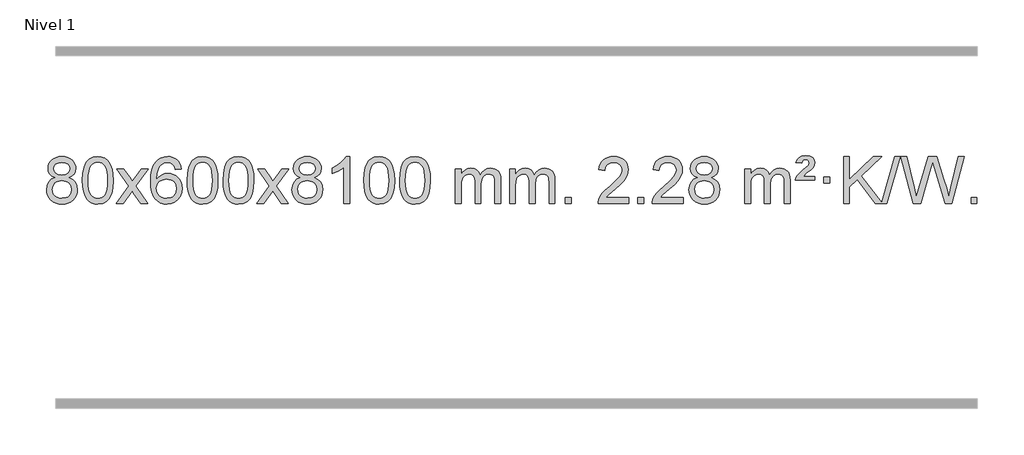
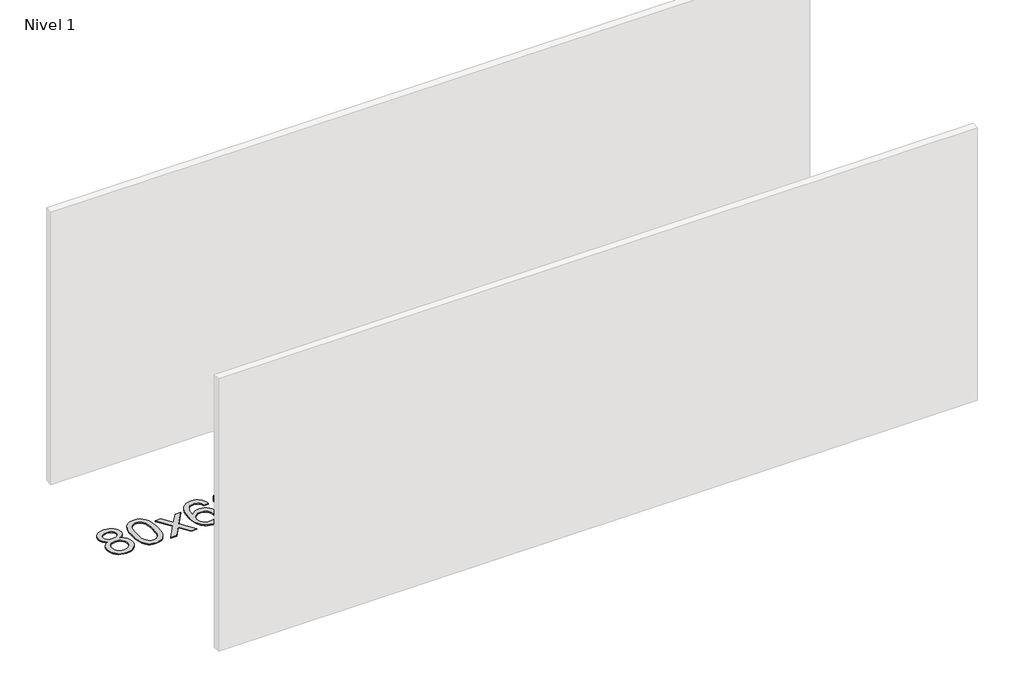
# One storey, part 10 of 16: 1 proxy.
"""IFC4 building model written with IfcOpenShell, lengths in millimetres."""

from ifc_helpers import new_model, si_unit, origin, origin_with_axes, place, context, project, spatial, polyline, outline, extrude, element, save

model = new_model("IFC4")

# Units and contexts
model_context = context("Model", 3, world=origin())
ifc_project = project(units=[si_unit("LENGTHUNIT", "METRE", prefix="MILLI")], contexts=[model_context])

# Site, building, storey
site = spatial("IfcSite", under=ifc_project)
building = spatial("IfcBuilding", under=site)
storey = spatial("IfcBuildingStorey", under=building, Name="Nivel 1", Elevation=0.0)

# Proxy
placement = place(None, origin())
element("IfcBuildingElementProxy", 1, Name="Texto de modelo 1", ObjectType="Texto de modelo 1", at=placement, inside=storey, context=model_context, shape_type="SweptSolid", body=[
    extrude(outline(polyline([(-236.8094438, -12224.2616447), (-263.7016177, -12211.0178929), (-282.573964, -12193.0652515), (-293.7207885, -12170.7716026), (-297.4363966, -12144.5048281), (-295.4130456, -12124.0199324), (-289.3429927, -12105.2395565), (-279.2262378, -12088.1637006), (-265.062781, -12072.7923645), (-247.533204, -12060.088173), (-227.3180883, -12051.0137504), (-204.4174341, -12045.5690969), (-178.8312414, -12043.7542124), (-153.1224213, -12045.6120165), (-130.0500888, -12051.1854287), (-109.614244, -12060.4744491), (-91.8148868, -12073.4790776), (-77.3939126, -12089.1508506), (-67.0932167, -12106.4413044), (-60.9127992, -12125.3504389), (-58.85266, -12145.8782543), (-62.5192172, -12171.2989001), (-73.5188889, -12193.2124043), (-91.9743023, -12211.0546811), (-118.0080848, -12224.2616447), (-87.0937345, -12240.1909351), (-64.5916191, -12263.6495436), (-50.8696207, -12293.5092989), (-46.2956212, -12328.6420295), (-48.5642269, -12353.6947933), (-55.3700438, -12376.6628926), (-66.713072, -12397.5463272), (-82.5933114, -12416.3450971), (-102.1768963, -12431.88198), (-124.6299607, -12442.9797536), (-149.9525047, -12449.6384177), (-178.1445283, -12451.8579724), (-206.3365519, -12449.6292206), (-231.6590959, -12442.9429654), (-254.1121603, -12431.7992066), (-273.6957452, -12416.1979443), (-289.5759846, -12397.26735), (-300.9190128, -12376.135595), (-307.7248297, -12352.8026795), (-309.9934354, -12327.2686033), (-305.2354949, -12290.7747094), (-290.9616735, -12260.7555386), (-267.9077351, -12238.2411605), (-236.8094438, -12224.2616447)]), holes=[polyline([(-247.2082415, -12145.9763561), (-242.7568694, -12167.902123), (-229.402753, -12185.413306), (-207.5382997, -12196.8912243), (-177.5559171, -12200.717197), (-148.2725103, -12196.9157497), (-126.7391508, -12185.5114079), (-113.495399, -12168.5888361), (-109.0808151, -12148.232699), (-113.6425518, -12127.1040098), (-127.327762, -12109.629615), (-149.1554271, -12097.8941794), (-178.1445283, -12093.9823675), (-207.3175705, -12097.8083402), (-229.1084474, -12109.2862585), (-242.683293, -12126.1107284), (-247.2082415, -12145.9763561)]), polyline([(-259.7652803, -12325.5027698), (-257.6683529, -12344.7184726), (-251.3775708, -12363.3210389), (-239.7647625, -12379.5446349), (-221.7017565, -12391.623427), (-200.0702952, -12399.1282197), (-177.7521208, -12401.6298173), (-143.5636208, -12396.3691048), (-129.6699441, -12389.7932141), (-117.909983, -12380.5869672), (-101.870328, -12356.6869002), (-96.5237763, -12327.0723996), (-102.0420062, -12296.9551269), (-118.596696, -12272.5277625), (-130.6754882, -12263.0854579), (-144.838945, -12256.3409547), (-179.4198526, -12250.9453521), (-213.130106, -12256.2673783), (-226.8674329, -12262.919911), (-238.5262264, -12272.2334569), (-254.4555168, -12296.1948375), (-259.7652803, -12325.5027698)])]), origin_with_axes(), (0.0, 0.0, 1.0), 10.0),
    extrude(outline(polyline([(-2.3459855, -12247.9041943), (1.3450971, -12183.5861588), (12.4183452, -12132.2911459), (30.763394, -12093.2343407), (42.621457, -12078.0009605), (56.269879, -12065.6309284), (71.7546453, -12056.0598651), (89.1217412, -12049.2233914), (129.5029215, -12043.7542124), (160.4540601, -12046.991574), (188.167837, -12056.7036586), (211.3444027, -12072.5103217), (228.6839074, -12094.0314184), (241.7805065, -12121.0830078), (252.2283551, -12153.4811488), (259.0709602, -12194.6226186), (261.3518286, -12247.9041943), (257.6975341, -12311.8543477), (246.7346507, -12363.0267333), (228.4999664, -12402.1203266), (216.6694946, -12417.3996922), (203.0302696, -12429.8341036), (187.5271092, -12439.4695462), (170.1048311, -12446.3520052), (129.5029215, -12451.8579724), (101.8381955, -12449.4667394), (77.3127291, -12442.2930405), (55.9265225, -12430.3368757), (37.6795755, -12413.5982449), (20.1683926, -12383.3399508), (7.6604047, -12345.6381776), (0.155612, -12300.4929255), (-2.3459855, -12247.9041943)]), holes=[polyline([(47.8821695, -12247.8060924), (49.3536975, -12291.4706195), (53.7682815, -12326.8148822), (61.1259214, -12353.8388804), (71.4266172, -12372.5426142), (83.8855541, -12385.2682656), (97.7179171, -12394.3580165), (112.9237063, -12399.8118671), (129.5029215, -12401.6298173), (146.0821368, -12399.8057357), (161.2879259, -12394.3334911), (175.1202889, -12385.2130833), (187.5792258, -12372.4445124), (197.8799217, -12353.7101217), (205.2375616, -12326.6922549), (209.6521455, -12291.3909118), (211.1236735, -12247.8060924), (209.7011965, -12205.2973278), (205.4337653, -12170.5753989), (198.3213801, -12143.6403055), (188.3640408, -12124.4920476), (176.1135703, -12111.1440625), (162.1217918, -12101.6097875), (146.3887051, -12095.8892225), (128.9143103, -12093.9823675), (112.4209342, -12095.6623619), (97.4726625, -12100.7023452), (84.0694951, -12109.1023175), (72.2114321, -12120.8622786), (61.5673797, -12141.708925), (53.9644852, -12169.8151094), (49.4027484, -12205.1808319), (47.8821695, -12247.8060924)])]), origin_with_axes(), (0.0, 0.0, 1.0), 10.0),
    extrude(outline(polyline([(286.4659061, -12445.579453), (393.7893469, -12297.2494325), (292.7444255, -12150.4890419), (353.1751746, -12150.4890419), (401.9318017, -12221.122385), (424.6914345, -12254.4770192), (444.4099094, -12227.2047007), (499.9355652, -12150.4890419), (560.3663143, -12150.4890419), (454.2200959, -12297.2494325), (556.4422397, -12445.579453), (496.0114906, -12445.579453), (434.501621, -12356.4048574), (423.2199065, -12340.1199477), (346.8966552, -12445.579453), (286.4659061, -12445.579453)])), origin_with_axes(), (0.0, 0.0, 1.0), 10.0),
    extrude(outline(polyline([(845.2541313, -12150.4890419), (795.0259763, -12156.7675613), (786.9325724, -12131.874213), (775.9942144, -12114.8780648), (753.2100561, -12099.2062918), (725.6679574, -12093.9823675), (702.3197135, -12097.0235253), (680.3448956, -12106.1469988), (661.4725493, -12125.3627017), (646.0582937, -12151.8134171), (635.6472332, -12189.227016), (631.7844723, -12241.3313693), (651.9321429, -12217.8237098), (676.0774645, -12201.2567573), (702.8715365, -12191.434308), (730.9654582, -12188.1601582), (755.0985171, -12190.398107), (777.3676405, -12197.1119534), (797.7728285, -12208.3016975), (816.3140811, -12223.9673391), (831.7222053, -12243.1769106), (842.7280083, -12264.9984443), (849.3314901, -12289.4319401), (851.5326507, -12316.4773982), (847.3878469, -12352.4439945), (834.9534355, -12385.786366), (815.259486, -12414.0642287), (789.3360681, -12434.8372987), (758.3604041, -12447.602804), (723.5097164, -12451.8579724), (693.5671877, -12449.0375437), (666.5247954, -12440.5762579), (642.3825394, -12426.4741147), (621.1404199, -12406.7311143), (603.822375, -12380.5133908), (591.4523429, -12346.9870783), (584.0303236, -12306.1521768), (581.5563172, -12258.0086864), (584.3031694, -12204.0342663), (592.5437261, -12157.9693092), (606.2779873, -12119.8138149), (625.5059529, -12089.5677835), (646.3464679, -12069.5243462), (670.5101836, -12055.2076052), (697.9971, -12046.6175606), (728.8072171, -12043.7542124), (751.9408633, -12045.5261773), (772.8794802, -12050.8420722), (791.6230678, -12059.7018969), (808.1716262, -12072.1056515), (822.0775656, -12087.6364031), (832.8932963, -12105.8772186), (840.6188182, -12126.8280983), (845.2541313, -12150.4890419)]), holes=[polyline([(631.7844723, -12315.6925832), (634.69074, -12337.9494439), (643.4095433, -12359.2007605), (656.9476007, -12377.472233), (674.3116309, -12390.7895612), (695.2686419, -12398.9197533), (719.5856418, -12401.6298173), (752.7318096, -12396.0134855), (766.646946, -12388.9930708), (778.7901175, -12379.1644901), (788.640158, -12366.9262824), (795.6759011, -12352.6769865), (801.3044957, -12318.1451299), (795.7494775, -12284.9989621), (788.8057049, -12271.3781312), (779.0844231, -12259.725469), (766.9044634, -12250.3904634), (752.5846568, -12243.7226022), (717.5255026, -12238.3883133), (684.4283858, -12243.7226022), (656.751397, -12259.725469), (645.8283674, -12271.2248471), (638.0262035, -12284.3858254), (633.3449051, -12299.2084042), (631.7844723, -12315.6925832)])]), origin_with_axes(), (0.0, 0.0, 1.0), 10.0),
    extrude(outline(polyline([(895.4822864, -12247.9041943), (899.1733691, -12183.5861588), (910.2466172, -12132.2911459), (928.591666, -12093.2343407), (940.449729, -12078.0009605), (954.098151, -12065.6309284), (969.5829173, -12056.0598651), (986.9500131, -12049.2233914), (1027.3311935, -12043.7542124), (1058.282332, -12046.991574), (1085.996109, -12056.7036586), (1109.1726747, -12072.5103217), (1126.5121794, -12094.0314184), (1139.6087784, -12121.0830078), (1150.0566271, -12153.4811488), (1156.8992322, -12194.6226186), (1159.1801006, -12247.9041943), (1155.5258061, -12311.8543477), (1144.5629226, -12363.0267333), (1126.3282384, -12402.1203266), (1114.4977666, -12417.3996922), (1100.8585416, -12429.8341036), (1085.3553812, -12439.4695462), (1067.933103, -12446.3520052), (1027.3311935, -12451.8579724), (999.6664674, -12449.4667394), (975.1410011, -12442.2930405), (953.7547945, -12430.3368757), (935.5078475, -12413.5982449), (917.9966645, -12383.3399508), (905.4886767, -12345.6381776), (897.983884, -12300.4929255), (895.4822864, -12247.9041943)]), holes=[polyline([(945.7104415, -12247.8060924), (947.1819695, -12291.4706195), (951.5965534, -12326.8148822), (958.9541933, -12353.8388804), (969.2548892, -12372.5426142), (981.7138261, -12385.2682656), (995.5461891, -12394.3580165), (1010.7519782, -12399.8118671), (1027.3311935, -12401.6298173), (1043.9104087, -12399.8057357), (1059.1161979, -12394.3334911), (1072.9485609, -12385.2130833), (1085.4074978, -12372.4445124), (1095.7081937, -12353.7101217), (1103.0658336, -12326.6922549), (1107.4804175, -12291.3909118), (1108.9519455, -12247.8060924), (1107.5294684, -12205.2973278), (1103.2620373, -12170.5753989), (1096.1496521, -12143.6403055), (1086.1923127, -12124.4920476), (1073.9418423, -12111.1440625), (1059.9500637, -12101.6097875), (1044.2169771, -12095.8892225), (1026.7425823, -12093.9823675), (1010.2492062, -12095.6623619), (995.3009344, -12100.7023452), (981.8977671, -12109.1023175), (970.0397041, -12120.8622786), (959.3956517, -12141.708925), (951.7927571, -12169.8151094), (947.2310204, -12205.1808319), (945.7104415, -12247.8060924)])]), origin_with_axes(), (0.0, 0.0, 1.0), 10.0),
    extrude(outline(polyline([(1203.1297362, -12247.9041943), (1206.8208189, -12183.5861588), (1217.894067, -12132.2911459), (1236.2391158, -12093.2343407), (1248.0971788, -12078.0009605), (1261.7456008, -12065.6309284), (1277.2303671, -12056.0598651), (1294.597463, -12049.2233914), (1334.9786433, -12043.7542124), (1365.9297818, -12046.991574), (1393.6435588, -12056.7036586), (1416.8201245, -12072.5103217), (1434.1596292, -12094.0314184), (1447.2562282, -12121.0830078), (1457.7040769, -12153.4811488), (1464.546682, -12194.6226186), (1466.8275504, -12247.9041943), (1463.1732559, -12311.8543477), (1452.2103725, -12363.0267333), (1433.9756882, -12402.1203266), (1422.1452164, -12417.3996922), (1408.5059914, -12429.8341036), (1393.002831, -12439.4695462), (1375.5805529, -12446.3520052), (1334.9786433, -12451.8579724), (1307.3139173, -12449.4667394), (1282.7884509, -12442.2930405), (1261.4022443, -12430.3368757), (1243.1552973, -12413.5982449), (1225.6441144, -12383.3399508), (1213.1361265, -12345.6381776), (1205.6313338, -12300.4929255), (1203.1297362, -12247.9041943)]), holes=[polyline([(1253.3578913, -12247.8060924), (1254.8294193, -12291.4706195), (1259.2440032, -12326.8148822), (1266.6016432, -12353.8388804), (1276.902339, -12372.5426142), (1289.3612759, -12385.2682656), (1303.1936389, -12394.3580165), (1318.3994281, -12399.8118671), (1334.9786433, -12401.6298173), (1351.5578586, -12399.8057357), (1366.7636477, -12394.3334911), (1380.5960107, -12385.2130833), (1393.0549476, -12372.4445124), (1403.3556435, -12353.7101217), (1410.7132834, -12326.6922549), (1415.1278673, -12291.3909118), (1416.5993953, -12247.8060924), (1415.1769183, -12205.2973278), (1410.9094871, -12170.5753989), (1403.7971019, -12143.6403055), (1393.8397625, -12124.4920476), (1381.5892921, -12111.1440625), (1367.5975136, -12101.6097875), (1351.8644269, -12095.8892225), (1334.3900321, -12093.9823675), (1317.896656, -12095.6623619), (1302.9483843, -12100.7023452), (1289.5452169, -12109.1023175), (1277.6871539, -12120.8622786), (1267.0431015, -12141.708925), (1259.440207, -12169.8151094), (1254.8784702, -12205.1808319), (1253.3578913, -12247.8060924)])]), origin_with_axes(), (0.0, 0.0, 1.0), 10.0),
    extrude(outline(polyline([(1491.9416279, -12445.579453), (1599.2650687, -12297.2494325), (1498.2201473, -12150.4890419), (1558.6508964, -12150.4890419), (1607.4075235, -12221.122385), (1630.1671563, -12254.4770192), (1649.8856312, -12227.2047007), (1705.411287, -12150.4890419), (1765.8420361, -12150.4890419), (1659.6958177, -12297.2494325), (1761.9179615, -12445.579453), (1701.4872124, -12445.579453), (1639.9773428, -12356.4048574), (1628.6956283, -12340.1199477), (1552.372377, -12445.579453), (1491.9416279, -12445.579453)])), origin_with_axes(), (0.0, 0.0, 1.0), 10.0),
    extrude(outline(polyline([(1866.49455, -12224.2616447), (1839.6023761, -12211.0178929), (1820.7300298, -12193.0652515), (1809.5832053, -12170.7716026), (1805.8675971, -12144.5048281), (1807.8909481, -12124.0199324), (1813.961001, -12105.2395565), (1824.0777559, -12088.1637006), (1838.2412127, -12072.7923645), (1855.7707898, -12060.088173), (1875.9859054, -12051.0137504), (1898.8865596, -12045.5690969), (1924.4727524, -12043.7542124), (1950.1815725, -12045.6120165), (1973.253905, -12051.1854287), (1993.6897498, -12060.4744491), (2011.489107, -12073.4790776), (2025.9100812, -12089.1508506), (2036.2107771, -12106.4413044), (2042.3911946, -12125.3504389), (2044.4513338, -12145.8782543), (2040.7847765, -12171.2989001), (2029.7851049, -12193.2124043), (2011.3296915, -12211.0546811), (1985.2959089, -12224.2616447), (2016.2102593, -12240.1909351), (2038.7123746, -12263.6495436), (2052.434373, -12293.5092989), (2057.0083725, -12328.6420295), (2054.7397669, -12353.6947933), (2047.93395, -12376.6628926), (2036.5909218, -12397.5463272), (2020.7106823, -12416.3450971), (2001.1270975, -12431.88198), (1978.674033, -12442.9797536), (1953.351489, -12449.6384177), (1925.1594654, -12451.8579724), (1896.9674419, -12449.6292206), (1871.6448979, -12442.9429654), (1849.1918334, -12431.7992066), (1829.6082486, -12416.1979443), (1813.7280091, -12397.26735), (1802.3849809, -12376.135595), (1795.579164, -12352.8026795), (1793.3105584, -12327.2686033), (1798.0684988, -12290.7747094), (1812.3423203, -12260.7555386), (1835.3962586, -12238.2411605), (1866.49455, -12224.2616447)]), holes=[polyline([(1856.0957522, -12145.9763561), (1860.5471244, -12167.902123), (1873.9012408, -12185.413306), (1895.765694, -12196.8912243), (1925.7480766, -12200.717197), (1955.0314835, -12196.9157497), (1976.5648429, -12185.5114079), (1989.8085947, -12168.5888361), (1994.2231787, -12148.232699), (1989.6614419, -12127.1040098), (1975.9762317, -12109.629615), (1954.1485667, -12097.8941794), (1925.1594654, -12093.9823675), (1895.9864232, -12097.8083402), (1874.1955464, -12109.2862585), (1860.6207008, -12126.1107284), (1856.0957522, -12145.9763561)]), polyline([(1843.5387135, -12325.5027698), (1845.6356408, -12344.7184726), (1851.9264229, -12363.3210389), (1863.5392313, -12379.5446349), (1881.6022372, -12391.623427), (1903.2336985, -12399.1282197), (1925.5518729, -12401.6298173), (1959.740373, -12396.3691048), (1973.6340497, -12389.7932141), (1985.3940108, -12380.5869672), (2001.4336658, -12356.6869002), (2006.7802174, -12327.0723996), (2001.2619875, -12296.9551269), (1984.7072977, -12272.5277625), (1972.6285056, -12263.0854579), (1958.4650487, -12256.3409547), (1923.8841412, -12250.9453521), (1890.1738877, -12256.2673783), (1876.4365609, -12262.919911), (1864.7777673, -12272.2334569), (1848.8484769, -12296.1948375), (1843.5387135, -12325.5027698)])]), origin_with_axes(), (0.0, 0.0, 1.0), 10.0),
    extrude(outline(polyline([(2289.3135897, -12445.579453), (2239.0854347, -12445.579453), (2239.0854347, -12132.4382987), (2218.1161609, -12149.3976587), (2191.50603, -12166.3324932), (2138.6291245, -12191.6918254), (2138.6291245, -12144.2105225), (2178.0783371, -12122.7507395), (2212.2545745, -12097.219729), (2239.1957993, -12070.0700378), (2256.9399742, -12043.7542124), (2289.3135897, -12043.7542124), (2289.3135897, -12445.579453)])), origin_with_axes(), (0.0, 0.0, 1.0), 10.0),
    extrude(outline(polyline([(2408.605458, -12247.9041943), (2412.2965407, -12183.5861588), (2423.3697888, -12132.2911459), (2441.7148376, -12093.2343407), (2453.5729006, -12078.0009605), (2467.2213226, -12065.6309284), (2482.7060889, -12056.0598651), (2500.0731848, -12049.2233914), (2540.4543651, -12043.7542124), (2571.4055036, -12046.991574), (2599.1192806, -12056.7036586), (2622.2958463, -12072.5103217), (2639.635351, -12094.0314184), (2652.73195, -12121.0830078), (2663.1797987, -12153.4811488), (2670.0224038, -12194.6226186), (2672.3032722, -12247.9041943), (2668.6489777, -12311.8543477), (2657.6860942, -12363.0267333), (2639.45141, -12402.1203266), (2627.6209382, -12417.3996922), (2613.9817132, -12429.8341036), (2598.4785528, -12439.4695462), (2581.0562747, -12446.3520052), (2540.4543651, -12451.8579724), (2512.7896391, -12449.4667394), (2488.2641727, -12442.2930405), (2466.8779661, -12430.3368757), (2448.6310191, -12413.5982449), (2431.1198361, -12383.3399508), (2418.6118483, -12345.6381776), (2411.1070556, -12300.4929255), (2408.605458, -12247.9041943)]), holes=[polyline([(2458.8336131, -12247.8060924), (2460.3051411, -12291.4706195), (2464.719725, -12326.8148822), (2472.0773649, -12353.8388804), (2482.3780608, -12372.5426142), (2494.8369977, -12385.2682656), (2508.6693607, -12394.3580165), (2523.8751499, -12399.8118671), (2540.4543651, -12401.6298173), (2557.0335804, -12399.8057357), (2572.2393695, -12394.3334911), (2586.0717325, -12385.2130833), (2598.5306694, -12372.4445124), (2608.8313653, -12353.7101217), (2616.1890052, -12326.6922549), (2620.6035891, -12291.3909118), (2622.0751171, -12247.8060924), (2620.6526401, -12205.2973278), (2616.3852089, -12170.5753989), (2609.2728237, -12143.6403055), (2599.3154843, -12124.4920476), (2587.0650139, -12111.1440625), (2573.0732354, -12101.6097875), (2557.3401487, -12095.8892225), (2539.8657539, -12093.9823675), (2523.3723778, -12095.6623619), (2508.4241061, -12100.7023452), (2495.0209387, -12109.1023175), (2483.1628757, -12120.8622786), (2472.5188233, -12141.708925), (2464.9159288, -12169.8151094), (2460.354192, -12205.1808319), (2458.8336131, -12247.8060924)])]), origin_with_axes(), (0.0, 0.0, 1.0), 10.0),
    extrude(outline(polyline([(2716.2529079, -12247.9041943), (2719.9439906, -12183.5861588), (2731.0172386, -12132.2911459), (2749.3622874, -12093.2343407), (2761.2203504, -12078.0009605), (2774.8687724, -12065.6309284), (2790.3535388, -12056.0598651), (2807.7206346, -12049.2233914), (2848.1018149, -12043.7542124), (2879.0529535, -12046.991574), (2906.7667304, -12056.7036586), (2929.9432961, -12072.5103217), (2947.2828008, -12094.0314184), (2960.3793999, -12121.0830078), (2970.8272485, -12153.4811488), (2977.6698537, -12194.6226186), (2979.950722, -12247.9041943), (2976.2964275, -12311.8543477), (2965.3335441, -12363.0267333), (2947.0988599, -12402.1203266), (2935.268388, -12417.3996922), (2921.6291631, -12429.8341036), (2906.1260026, -12439.4695462), (2888.7037245, -12446.3520052), (2848.1018149, -12451.8579724), (2820.4370889, -12449.4667394), (2795.9116226, -12442.2930405), (2774.5254159, -12430.3368757), (2756.278469, -12413.5982449), (2738.767286, -12383.3399508), (2726.2592981, -12345.6381776), (2718.7545054, -12300.4929255), (2716.2529079, -12247.9041943)]), holes=[polyline([(2766.481063, -12247.8060924), (2767.9525909, -12291.4706195), (2772.3671749, -12326.8148822), (2779.7248148, -12353.8388804), (2790.0255106, -12372.5426142), (2802.4844475, -12385.2682656), (2816.3168106, -12394.3580165), (2831.5225997, -12399.8118671), (2848.1018149, -12401.6298173), (2864.6810302, -12399.8057357), (2879.8868193, -12394.3334911), (2893.7191824, -12385.2130833), (2906.1781193, -12372.4445124), (2916.4788151, -12353.7101217), (2923.836455, -12326.6922549), (2928.251039, -12291.3909118), (2929.7225669, -12247.8060924), (2928.3000899, -12205.2973278), (2924.0326588, -12170.5753989), (2916.9202735, -12143.6403055), (2906.9629342, -12124.4920476), (2894.7124637, -12111.1440625), (2880.7206852, -12101.6097875), (2864.9875985, -12095.8892225), (2847.5132038, -12093.9823675), (2831.0198276, -12095.6623619), (2816.0715559, -12100.7023452), (2802.6683885, -12109.1023175), (2790.8103256, -12120.8622786), (2780.1662732, -12141.708925), (2772.5633786, -12169.8151094), (2768.0016419, -12205.1808319), (2766.481063, -12247.8060924)])]), origin_with_axes(), (0.0, 0.0, 1.0), 10.0),
    extrude(outline(polyline([(3193.4203811, -12445.579453), (3193.4203811, -12150.4890419), (3243.6485362, -12150.4890419), (3243.6485362, -12199.0494653), (3258.7562234, -12176.7435537), (3278.1803928, -12159.2691589), (3301.2588566, -12147.9751816), (3327.3294273, -12144.2105225), (3355.2639335, -12148.048758), (3377.6556843, -12159.5634645), (3394.3820523, -12177.9943524), (3405.3204103, -12202.5811324), (3423.6286709, -12177.0439906), (3444.5121055, -12158.803175), (3467.9707141, -12147.8586857), (3494.0044966, -12144.2105225), (3514.1123133, -12145.7280358), (3531.7614521, -12150.2805755), (3546.9519128, -12157.8681416), (3559.6836955, -12168.4907342), (3569.7483337, -12182.2709806), (3576.9373611, -12199.3315082), (3581.2507775, -12219.6723168), (3582.6885829, -12243.2934066), (3582.6885829, -12445.579453), (3532.4604278, -12445.579453), (3532.4604278, -12264.875817), (3531.2954682, -12239.8230531), (3527.8005892, -12222.9372695), (3521.2522897, -12211.3735121), (3510.9270684, -12202.2868268), (3497.6465284, -12196.4007149), (3482.2322728, -12194.4386776), (3455.0212679, -12199.4663982), (3432.8379835, -12214.54956), (3424.2326105, -12226.1194488), (3418.0859155, -12240.7182326), (3413.1685595, -12279.0024856), (3413.1685595, -12445.579453), (3362.9404045, -12445.579453), (3362.9404045, -12259.2840106), (3360.0341367, -12230.8835206), (3351.3153334, -12210.6254854), (3335.9746542, -12198.4853796), (3313.2027587, -12194.4386776), (3293.8521658, -12197.1364789), (3276.0221517, -12205.2298828), (3261.3068719, -12218.5226856), (3251.3004817, -12236.8186835), (3245.5615225, -12262.2025411), (3243.6485362, -12296.7589232), (3243.6485362, -12445.579453), (3193.4203811, -12445.579453)])), origin_with_axes(), (0.0, 0.0, 1.0), 10.0),
    extrude(outline(polyline([(3658.0308155, -12445.579453), (3658.0308155, -12150.4890419), (3708.2589706, -12150.4890419), (3708.2589706, -12199.0494653), (3723.3666579, -12176.7435537), (3742.7908272, -12159.2691589), (3765.869291, -12147.9751816), (3791.9398618, -12144.2105225), (3819.8743679, -12148.048758), (3842.2661187, -12159.5634645), (3858.9924868, -12177.9943524), (3869.9308448, -12202.5811324), (3888.2391054, -12177.0439906), (3909.12254, -12158.803175), (3932.5811485, -12147.8586857), (3958.6149311, -12144.2105225), (3978.7227478, -12145.7280358), (3996.3718865, -12150.2805755), (4011.5623472, -12157.8681416), (4024.2941299, -12168.4907342), (4034.3587682, -12182.2709806), (4041.5477955, -12199.3315082), (4045.8612119, -12219.6723168), (4047.2990174, -12243.2934066), (4047.2990174, -12445.579453), (3997.0708623, -12445.579453), (3997.0708623, -12264.875817), (3995.9059026, -12239.8230531), (3992.4110237, -12222.9372695), (3985.8627242, -12211.3735121), (3975.5375028, -12202.2868268), (3962.2569628, -12196.4007149), (3946.8427072, -12194.4386776), (3919.6317023, -12199.4663982), (3897.448418, -12214.54956), (3888.843045, -12226.1194488), (3882.69635, -12240.7182326), (3877.778994, -12279.0024856), (3877.778994, -12445.579453), (3827.5508389, -12445.579453), (3827.5508389, -12259.2840106), (3824.6445711, -12230.8835206), (3815.9257679, -12210.6254854), (3800.5850887, -12198.4853796), (3777.8131932, -12194.4386776), (3758.4626002, -12197.1364789), (3740.6325862, -12205.2298828), (3725.9173064, -12218.5226856), (3715.9109161, -12236.8186835), (3710.171957, -12262.2025411), (3708.2589706, -12296.7589232), (3708.2589706, -12445.579453), (3658.0308155, -12445.579453)])), origin_with_axes(), (0.0, 0.0, 1.0), 10.0),
    extrude(outline(polyline([(4135.1982887, -12445.579453), (4135.1982887, -12395.3512979), (4185.4264438, -12395.3512979), (4185.4264438, -12445.579453), (4135.1982887, -12445.579453)])), origin_with_axes(), (0.0, 0.0, 1.0), 10.0),
    extrude(outline(polyline([(4681.4294752, -12395.3512979), (4681.4294752, -12445.579453), (4417.731661, -12445.579453), (4418.835307, -12427.8965918), (4423.1272636, -12410.9494945), (4435.5126241, -12383.8856424), (4453.6369438, -12357.6311307), (4479.8546673, -12330.1503456), (4516.5202395, -12299.4076736), (4570.7215201, -12251.2641831), (4603.2422885, -12215.7267824), (4619.5026727, -12186.884834), (4624.9228007, -12158.8277005), (4619.809241, -12133.6768347), (4604.4685618, -12112.7688747), (4580.8873259, -12098.6789943), (4551.0520961, -12093.9823675), (4519.7208128, -12098.5686297), (4495.3792875, -12112.3274163), (4479.6707263, -12134.1796068), (4474.2383355, -12163.0460807), (4424.0101804, -12156.7675613), (4428.3297282, -12130.838012), (4436.1870745, -12108.1826125), (4447.5822193, -12088.8013627), (4462.5151626, -12072.6942627), (4480.6425479, -12060.0329907), (4501.6210187, -12050.989225), (4525.4505749, -12045.5629655), (4552.1312166, -12043.7542124), (4579.0509816, -12045.7653006), (4603.0092965, -12051.7985654), (4624.0061614, -12061.8540066), (4642.0415762, -12075.9316242), (4656.5269298, -12092.9890861), (4666.8736109, -12111.9840598), (4673.0816196, -12132.9165453), (4675.1509558, -12155.7865427), (4672.9191384, -12179.8092369), (4666.223686, -12203.4149983), (4654.3410976, -12227.4254299), (4636.5478718, -12252.6621347), (4608.1841699, -12282.7916701), (4564.5901535, -12321.4805933), (4506.8081548, -12369.795762), (4484.1466239, -12395.3512979), (4681.4294752, -12395.3512979)])), origin_with_axes(), (0.0, 0.0, 1.0), 10.0),
    extrude(outline(polyline([(4756.7717078, -12445.579453), (4756.7717078, -12395.3512979), (4806.9998629, -12395.3512979), (4806.9998629, -12445.579453), (4756.7717078, -12445.579453)])), origin_with_axes(), (0.0, 0.0, 1.0), 10.0),
    extrude(outline(polyline([(5146.0399096, -12395.3512979), (5146.0399096, -12445.579453), (4882.3420955, -12445.579453), (4883.4457415, -12427.8965918), (4887.7376981, -12410.9494945), (4900.1230586, -12383.8856424), (4918.2473782, -12357.6311307), (4944.4651017, -12330.1503456), (4981.1306739, -12299.4076736), (5035.3319545, -12251.2641831), (5067.8527229, -12215.7267824), (5084.1131071, -12186.884834), (5089.5332352, -12158.8277005), (5084.4196754, -12133.6768347), (5069.0789962, -12112.7688747), (5045.4977603, -12098.6789943), (5015.6625305, -12093.9823675), (4984.3312473, -12098.5686297), (4959.9897219, -12112.3274163), (4944.2811607, -12134.1796068), (4938.8487699, -12163.0460807), (4888.6206149, -12156.7675613), (4892.9401626, -12130.838012), (4900.7975089, -12108.1826125), (4912.1926537, -12088.8013627), (4927.125597, -12072.6942627), (4945.2529823, -12060.0329907), (4966.2314531, -12050.989225), (4990.0610093, -12045.5629655), (5016.741651, -12043.7542124), (5043.661416, -12045.7653006), (5067.619731, -12051.7985654), (5088.6165959, -12061.8540066), (5106.6520107, -12075.9316242), (5121.1373642, -12092.9890861), (5131.4840453, -12111.9840598), (5137.692054, -12132.9165453), (5139.7613902, -12155.7865427), (5137.5295728, -12179.8092369), (5130.8341205, -12203.4149983), (5118.951532, -12227.4254299), (5101.1583062, -12252.6621347), (5072.7946044, -12282.7916701), (5029.200588, -12321.4805933), (4971.4185892, -12369.795762), (4948.7570583, -12395.3512979), (5146.0399096, -12395.3512979)])), origin_with_axes(), (0.0, 0.0, 1.0), 10.0),
    extrude(outline(polyline([(5269.4520563, -12224.2616447), (5242.5598824, -12211.0178929), (5223.6875361, -12193.0652515), (5212.5407116, -12170.7716026), (5208.8251035, -12144.5048281), (5210.8484544, -12124.0199324), (5216.9185074, -12105.2395565), (5227.0352622, -12088.1637006), (5241.198719, -12072.7923645), (5258.7282961, -12060.088173), (5278.9434117, -12051.0137504), (5301.8440659, -12045.5690969), (5327.4302587, -12043.7542124), (5353.1390788, -12045.6120165), (5376.2114113, -12051.1854287), (5396.6472561, -12060.4744491), (5414.4466133, -12073.4790776), (5428.8675875, -12089.1508506), (5439.1682834, -12106.4413044), (5445.3487009, -12125.3504389), (5447.4088401, -12145.8782543), (5443.7422829, -12171.2989001), (5432.7426112, -12193.2124043), (5414.2871978, -12211.0546811), (5388.2534152, -12224.2616447), (5419.1677656, -12240.1909351), (5441.6698809, -12263.6495436), (5455.3918794, -12293.5092989), (5459.9658788, -12328.6420295), (5457.6972732, -12353.6947933), (5450.8914563, -12376.6628926), (5439.5484281, -12397.5463272), (5423.6681886, -12416.3450971), (5404.0846038, -12431.88198), (5381.6315393, -12442.9797536), (5356.3089953, -12449.6384177), (5328.1169718, -12451.8579724), (5299.9249482, -12449.6292206), (5274.6024042, -12442.9429654), (5252.1493398, -12431.7992066), (5232.5657549, -12416.1979443), (5216.6855154, -12397.26735), (5205.3424872, -12376.135595), (5198.5366703, -12352.8026795), (5196.2680647, -12327.2686033), (5201.0260052, -12290.7747094), (5215.2998266, -12260.7555386), (5238.3537649, -12238.2411605), (5269.4520563, -12224.2616447)]), holes=[polyline([(5259.0532585, -12145.9763561), (5263.5046307, -12167.902123), (5276.8587471, -12185.413306), (5298.7232004, -12196.8912243), (5328.705583, -12200.717197), (5357.9889898, -12196.9157497), (5379.5223492, -12185.5114079), (5392.7661011, -12168.5888361), (5397.180685, -12148.232699), (5392.6189483, -12127.1040098), (5378.933738, -12109.629615), (5357.106073, -12097.8941794), (5328.1169718, -12093.9823675), (5298.9439295, -12097.8083402), (5277.1530527, -12109.2862585), (5263.5782071, -12126.1107284), (5259.0532585, -12145.9763561)]), polyline([(5246.4962198, -12325.5027698), (5248.5931471, -12344.7184726), (5254.8839293, -12363.3210389), (5266.4967376, -12379.5446349), (5284.5597435, -12391.623427), (5306.1912049, -12399.1282197), (5328.5093792, -12401.6298173), (5362.6978793, -12396.3691048), (5376.591556, -12389.7932141), (5388.3515171, -12380.5869672), (5404.3911721, -12356.6869002), (5409.7377238, -12327.0723996), (5404.2194938, -12296.9551269), (5387.6648041, -12272.5277625), (5375.5860119, -12263.0854579), (5361.4225551, -12256.3409547), (5326.8416475, -12250.9453521), (5293.131394, -12256.2673783), (5279.3940672, -12262.919911), (5267.7352736, -12272.2334569), (5251.8059832, -12296.1948375), (5246.4962198, -12325.5027698)])]), origin_with_axes(), (0.0, 0.0, 1.0), 10.0),
    extrude(outline(polyline([(5673.4355379, -12445.579453), (5673.4355379, -12150.4890419), (5723.663693, -12150.4890419), (5723.663693, -12199.0494653), (5738.7713803, -12176.7435537), (5758.1955496, -12159.2691589), (5781.2740134, -12147.9751816), (5807.3445842, -12144.2105225), (5835.2790903, -12148.048758), (5857.6708411, -12159.5634645), (5874.3972091, -12177.9943524), (5885.3355671, -12202.5811324), (5903.6438278, -12177.0439906), (5924.5272623, -12158.803175), (5947.9858709, -12147.8586857), (5974.0196534, -12144.2105225), (5994.1274702, -12145.7280358), (6011.7766089, -12150.2805755), (6026.9670696, -12157.8681416), (6039.6988523, -12168.4907342), (6049.7634906, -12182.2709806), (6056.9525179, -12199.3315082), (6061.2659343, -12219.6723168), (6062.7037397, -12243.2934066), (6062.7037397, -12445.579453), (6012.4755847, -12445.579453), (6012.4755847, -12264.875817), (6011.310625, -12239.8230531), (6007.8157461, -12222.9372695), (6001.2674465, -12211.3735121), (5990.9422252, -12202.2868268), (5977.6616852, -12196.4007149), (5962.2474296, -12194.4386776), (5935.0364247, -12199.4663982), (5912.8531404, -12214.54956), (5904.2477674, -12226.1194488), (5898.1010724, -12240.7182326), (5893.1837164, -12279.0024856), (5893.1837164, -12445.579453), (5842.9555613, -12445.579453), (5842.9555613, -12259.2840106), (5840.0492935, -12230.8835206), (5831.3304902, -12210.6254854), (5815.989811, -12198.4853796), (5793.2179155, -12194.4386776), (5773.8673226, -12197.1364789), (5756.0373086, -12205.2298828), (5741.3220287, -12218.5226856), (5731.3156385, -12236.8186835), (5725.5766794, -12262.2025411), (5723.663693, -12296.7589232), (5723.663693, -12445.579453), (5673.4355379, -12445.579453)])), origin_with_axes(), (0.0, 0.0, 1.0), 10.0),
    extrude(outline(polyline([(6106.6533754, -12244.6668327), (6110.4793482, -12228.8479069), (6118.8180067, -12212.9799302), (6140.3268407, -12187.8413272), (6172.2835234, -12160.1030247), (6216.4293628, -12122.726214), (6223.5662735, -12111.1992448), (6225.9452437, -12099.3779701), (6224.0567828, -12087.2869152), (6218.3914001, -12077.5012541), (6209.022672, -12071.026531), (6196.0241748, -12068.8682899), (6183.5897634, -12070.4869707), (6174.73607, -12075.343013), (6168.3103978, -12084.8098431), (6163.1600499, -12100.2608869), (6112.9318948, -12093.9823675), (6123.7721509, -12068.7701881), (6140.4004171, -12051.2099542), (6164.165594, -12040.9092583), (6196.4165822, -12037.475693), (6232.1992376, -12041.6082341), (6256.9454332, -12054.0058573), (6271.3664074, -12072.3386434), (6276.1733988, -12094.2766731), (6272.0776459, -12117.1834586), (6259.7903873, -12138.8149199), (6239.262572, -12158.6314968), (6202.7932035, -12186.6886303), (6177.1886166, -12213.2742358), (6276.1733988, -12213.2742358), (6276.1733988, -12244.6668327), (6106.6533754, -12244.6668327)])), origin_with_axes(), (0.0, 0.0, 1.0), 10.0),
    extrude(outline(polyline([(6351.5156314, -12269.7809102), (6351.5156314, -12219.5527552), (6401.7437865, -12219.5527552), (6401.7437865, -12269.7809102), (6351.5156314, -12269.7809102)])), origin_with_axes(), (0.0, 0.0, 1.0), 10.0),
    extrude(outline(polyline([(6792.3854144, -12445.579453), (6638.954097, -12242.9009991), (6571.2638099, -12307.4520265), (6571.2638099, -12445.579453), (6521.0356548, -12445.579453), (6521.0356548, -12043.7542124), (6571.2638099, -12043.7542124), (6571.2638099, -12240.4484525), (6777.2777272, -12043.7542124), (6847.5186628, -12043.7542124), (6674.5650741, -12208.9577537), (6849.218684, -12439.5349332), (6960.5320117, -12043.7542124), (7005.8550735, -12043.7542124), (6892.8417246, -12445.579453), (6853.7971822, -12445.579453), (6847.5186628, -12445.579453), (6792.3854144, -12445.579453)])), origin_with_axes(), (0.0, 0.0, 1.0), 10.0),
    extrude(outline(polyline([(7120.3399504, -12445.579453), (7010.7601668, -12043.7542124), (7062.5579517, -12043.7542124), (7126.1279605, -12307.844434), (7145.7483335, -12389.3670841), (7166.7421327, -12317.2622131), (7246.4008474, -12043.7542124), (7321.056367, -12043.7542124), (7378.9364675, -12242.0180823), (7403.731714, -12315.5944814), (7422.0031864, -12389.3670841), (7441.0349483, -12310.1988788), (7505.1935683, -12043.7542124), (7556.9913532, -12043.7542124), (7447.3134677, -12445.579453), (7393.6517474, -12445.579453), (7297.3157155, -12135.5775584), (7283.87576, -12092.3146358), (7268.7680727, -12144.4067263), (7180.9669032, -12445.579453), (7120.3399504, -12445.579453)])), origin_with_axes(), (0.0, 0.0, 1.0), 10.0),
    extrude(outline(polyline([(7613.4980277, -12445.579453), (7613.4980277, -12395.3512979), (7663.7261827, -12395.3512979), (7663.7261827, -12445.579453), (7613.4980277, -12445.579453)])), origin_with_axes(), (0.0, 0.0, 1.0), 10.0),
])

save(model, "model.ifc")
